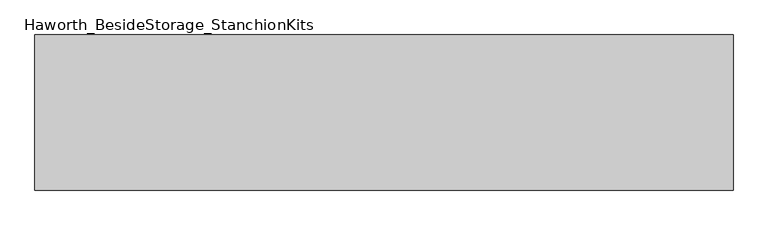
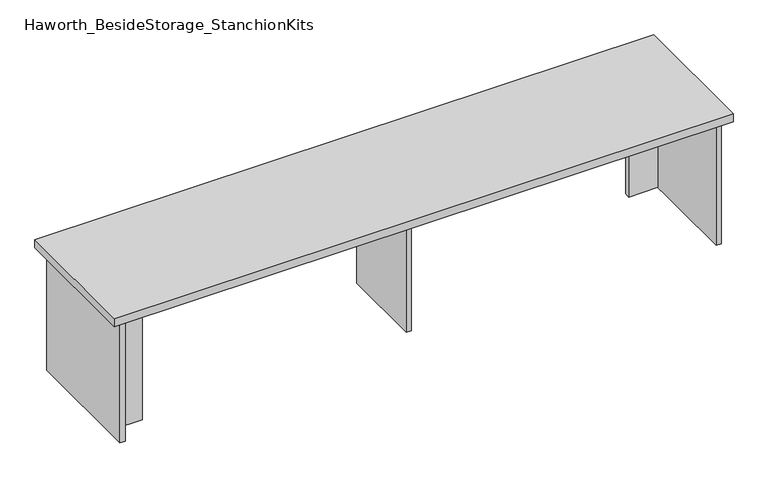
"""IFC4 building model written with IfcOpenShell, lengths in millimetres: furniture geometry, Haworth_BesideStorage_StanchionKits."""

from ifc_helpers import new_model, si_unit, frame, origin, place, context, project, spatial, polyline, outline, extrude, source, transform, mapped, element, save


def haworth_besidestorage_stanchionkits_f983de3b(model_context):
    return source(origin(), model_context, "Body", "SweptSolid", [
        extrude(outline(polyline([(1076.325, 0.0), (1076.325, -406.4), (-752.475, -406.4), (-752.475, 0.0), (1076.325, 0.0)])), frame((0.0, 0.0, 812.8), z_axis=(0.0, 0.0, 1.0), x_axis=(1.0, 0.0, 0.0)), (0.0, 0.0, 1.0), 25.4),
        extrude(outline(polyline([(949.325, -76.2), (1035.05, -76.2), (1035.05, -92.075), (949.325, -92.075), (949.325, -76.2)])), frame((0.0, 0.0, 431.8), z_axis=(0.0, 0.0, 1.0), x_axis=(1.0, 0.0, 0.0)), (0.0, 0.0, 1.0), 381.0),
        extrude(outline(polyline([(-625.475, -314.325), (-625.475, -330.2), (-711.2, -330.2), (-711.2, -314.325), (-625.475, -314.325)])), frame((0.0, 0.0, 431.8), z_axis=(0.0, 0.0, 1.0), x_axis=(1.0, 0.0, 0.0)), (0.0, 0.0, 1.0), 381.0),
        extrude(outline(polyline([(169.8625, -330.2), (153.9875, -330.2), (153.9875, -76.2), (169.8625, -76.2), (169.8625, -330.2)])), frame((0.0, 0.0, 431.8), z_axis=(0.0, 0.0, 1.0), x_axis=(1.0, 0.0, 0.0)), (0.0, 0.0, 1.0), 381.0),
        extrude(outline(polyline([(1050.925, -390.525), (1035.05, -390.525), (1035.05, -15.875), (1050.925, -15.875), (1050.925, -390.525)])), frame((0.0, 0.0, 431.8), z_axis=(0.0, 0.0, 1.0), x_axis=(1.0, 0.0, 0.0)), (0.0, 0.0, 1.0), 381.0),
        extrude(outline(polyline([(-711.2, -390.525), (-727.075, -390.525), (-727.075, -15.875), (-711.2, -15.875), (-711.2, -390.525)])), frame((0.0, 0.0, 431.8), z_axis=(0.0, 0.0, 1.0), x_axis=(1.0, 0.0, 0.0)), (0.0, 0.0, 1.0), 381.0),
    ])


if __name__ == "__main__":
    model = new_model("IFC4")
    model_context = context("Model", 3, world=origin())
    ifc_project = project(units=[si_unit("LENGTHUNIT", "METRE", prefix="MILLI")], contexts=[model_context])
    site = spatial("IfcSite", under=ifc_project)
    building = spatial("IfcBuilding", under=site)
    placement = place(None, origin())
    haworth_besidestorage_stanchionkits_shape = haworth_besidestorage_stanchionkits_f983de3b(model_context)
    element("IfcFurniture", 1, ObjectType="Haworth_BesideStorage_StanchionKits", at=placement, inside=building, context=model_context, shape_type="MappedRepresentation", body=[
        mapped(haworth_besidestorage_stanchionkits_shape, transform((0.0, 0.0, 0.0), x_axis=(1.0, 0.0, 0.0), y_axis=(0.0, 1.0, 0.0), z_axis=(0.0, 0.0, 1.0))),
    ])
    save(model, "model.ifc")
